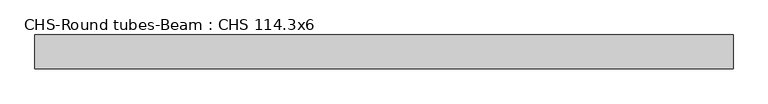
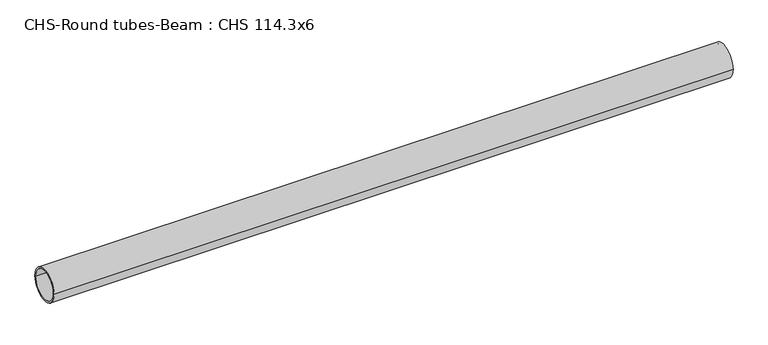
"""IFC4 building model written with IfcOpenShell, lengths in millimetres: beam geometry, CHS-Round tubes-Beam : CHS 114.3x6."""

import ifcopenshell
import ifcopenshell.guid

model = None  # the IFC model being written
_history = None  # IfcOwnerHistory: only IFC2X3 demands one
_inside = {}  # id of a spatial element -> (the spatial element, [elements in it])
_under = {}  # id of a project, library or spatial element -> (it, [spatial elements below it])
_declared = {}  # id of a project -> (the project, [libraries it declares])
_typed = {}  # id of a type object -> (the type object, [elements of that type])
_made_of = {}  # id of a material, layer set ... -> (it, [elements and type objects made of it])


def new_model(schema):
    """Start an empty IFC model of exactly this schema.

    Asked for "IFC4X3", IfcOpenShell would pick the latest addendum, in which some entities
    have other attributes; the version numbers below select the first issue.
    IFC2X3 requires an IfcOwnerHistory on every rooted entity: one is made here for all.
    """
    global model, _history
    if schema == "IFC4X3":
        model = ifcopenshell.file(schema_version=(4, 3, 0, 0))
    else:
        model = ifcopenshell.file(schema=schema)
    _inside.clear()
    _under.clear()
    _declared.clear()
    _typed.clear()
    _made_of.clear()
    _history = None
    if model.schema == "IFC2X3":
        org = make("IfcOrganization", Name="unknown")
        user = make(
            "IfcPersonAndOrganization",
            ThePerson=make("IfcPerson", FamilyName="unknown"),
            TheOrganization=org,
        )
        app = make(
            "IfcApplication",
            ApplicationDeveloper=org,
            Version="unknown",
            ApplicationFullName="unknown",
            ApplicationIdentifier="unknown",
        )
        _history = make(
            "IfcOwnerHistory",
            OwningUser=user,
            OwningApplication=app,
            ChangeAction="ADDED",
            CreationDate=0,
        )
    return model


def make(cls, **values):
    """One entity of the class cls with the attributes given. An attribute that is None is left unset."""
    return model.create_entity(
        cls, **{name: value for name, value in values.items() if value is not None}
    )


def rooted(cls, **values):
    """An entity with a GlobalId (a new one), such as an element, a storey or a relation."""
    return make(cls, GlobalId=ifcopenshell.guid.new(), OwnerHistory=_history, **values)


def si_unit(unit_type, name, prefix=None):
    """IfcSIUnit, for example si_unit("LENGTHUNIT", "METRE", prefix="MILLI")."""
    return make("IfcSIUnit", UnitType=unit_type, Prefix=prefix, Name=name)


def assignment(units):
    """IfcUnitAssignment: the units of a project."""
    return None if units is None else make("IfcUnitAssignment", Units=units)


def point(xyz):
    """IfcCartesianPoint."""
    return None if xyz is None else make("IfcCartesianPoint", Coordinates=xyz)


def direction(xyz):
    """IfcDirection."""
    return None if xyz is None else make("IfcDirection", DirectionRatios=xyz)


def frame(location, z_axis=None, x_axis=None):
    """IfcAxis2Placement3D, a coordinate frame: its origin and axes. An axis left out is left unset."""
    return make(
        "IfcAxis2Placement3D",
        Location=point(location),
        Axis=direction(z_axis),
        RefDirection=direction(x_axis),
    )


def frame_2d(location, x_axis=None):
    """IfcAxis2Placement2D, a coordinate frame in the plane: its origin and x axis."""
    return make(
        "IfcAxis2Placement2D", Location=point(location), RefDirection=direction(x_axis)
    )


def origin():
    """The frame at (0, 0, 0) with its axes left unset."""
    return frame((0.0, 0.0, 0.0))


def origin_2d():
    """The frame at (0, 0) in the plane with its x axis left unset."""
    return frame_2d((0.0, 0.0))


def place(relative_to, where):
    """IfcLocalPlacement: puts the frame where relative to a parent placement (None: the world)."""
    return make(
        "IfcLocalPlacement", PlacementRelTo=relative_to, RelativePlacement=where
    )


def context(
    kind, dimensions, precision=None, world=None, true_north=None, identifier=None
):
    """IfcGeometricRepresentationContext, for example the 3D "Model" context."""
    return make(
        "IfcGeometricRepresentationContext",
        ContextIdentifier=identifier,
        ContextType=kind,
        CoordinateSpaceDimension=dimensions,
        Precision=precision,
        WorldCoordinateSystem=world,
        TrueNorth=true_north,
    )


def project(units=None, contexts=None):
    """IfcProject with its units and contexts."""
    return rooted(
        "IfcProject",
        Name="project",
        RepresentationContexts=contexts,
        UnitsInContext=assignment(units),
    )


def spatial(cls, under=None, at=None, **own):
    """A site, building, storey or space (cls), placed at a placement, below another one or the project."""
    s = rooted(cls, ObjectPlacement=at, **own)
    if under is not None:
        _under.setdefault(under.id(), (under, []))[1].append(s)
    return s


def circle_curve(where, radius):
    """IfcCircle in the frame where."""
    return make("IfcCircle", Position=where, Radius=radius)


def trimmed(basis, trim1, trim2, sense, master):
    """IfcTrimmedCurve: the piece of a basis curve between two trims."""
    return make(
        "IfcTrimmedCurve",
        BasisCurve=basis,
        Trim1=trim1,
        Trim2=trim2,
        SenseAgreement=sense,
        MasterRepresentation=master,
    )


def segment(curve, same_sense, transition):
    """IfcCompositeCurveSegment."""
    return make(
        "IfcCompositeCurveSegment",
        Transition=transition,
        SameSense=same_sense,
        ParentCurve=curve,
    )


def composite_curve(segments, self_intersect=None):
    """IfcCompositeCurve: segments joined end to end."""
    return make("IfcCompositeCurve", Segments=segments, SelfIntersect=self_intersect)


def outline(outer, holes=None, kind="AREA"):
    """IfcArbitraryClosedProfileDef: a profile drawn as a closed curve; with holes, ...WithVoids."""
    if holes is None:
        return make("IfcArbitraryClosedProfileDef", ProfileType=kind, OuterCurve=outer)
    return make(
        "IfcArbitraryProfileDefWithVoids",
        ProfileType=kind,
        OuterCurve=outer,
        InnerCurves=holes,
    )


def extrude(swept, where, along, depth):
    """IfcExtrudedAreaSolid: the profile swept, set in the frame where, extruded along a direction by depth."""
    return make(
        "IfcExtrudedAreaSolid",
        SweptArea=swept,
        Position=where,
        ExtrudedDirection=direction(along),
        Depth=depth,
    )


def shape(context_of_items, identifier, shape_type, items):
    """IfcShapeRepresentation: the items that make up one representation, for example the "Body"."""
    return make(
        "IfcShapeRepresentation",
        ContextOfItems=context_of_items,
        RepresentationIdentifier=identifier,
        RepresentationType=shape_type,
        Items=items,
    )


def source(mapping_origin, context_of_items, identifier, shape_type, items):
    """IfcRepresentationMap: a shape defined once, which mapped items show again and again."""
    return make(
        "IfcRepresentationMap",
        MappingOrigin=mapping_origin,
        MappedRepresentation=shape(context_of_items, identifier, shape_type, items),
    )


def transform(
    local_origin,
    x_axis=None,
    y_axis=None,
    z_axis=None,
    scale=None,
    scale2=None,
    scale3=None,
    uniform=True,
):
    """IfcCartesianTransformationOperator3D, or its non-uniform kind. x_axis, y_axis, z_axis: its Axis1, 2, 3."""
    if uniform:
        return make(
            "IfcCartesianTransformationOperator3D",
            Axis1=direction(x_axis),
            Axis2=direction(y_axis),
            LocalOrigin=point(local_origin),
            Scale=scale,
            Axis3=direction(z_axis),
        )
    return make(
        "IfcCartesianTransformationOperator3DnonUniform",
        Axis1=direction(x_axis),
        Axis2=direction(y_axis),
        LocalOrigin=point(local_origin),
        Scale=scale,
        Axis3=direction(z_axis),
        Scale2=scale2,
        Scale3=scale3,
    )


def mapped(mapping_source, mapping_target):
    """IfcMappedItem: shows the shape of a source again, moved by a transform."""
    return make(
        "IfcMappedItem", MappingSource=mapping_source, MappingTarget=mapping_target
    )


def made_of(thing, what):
    """Note that an element or type object is made of a material, layer set ...; save() writes the relation."""
    if what is not None:
        _made_of.setdefault(what.id(), (what, []))[1].append(thing)
    return thing


def element(
    cls,
    number,
    at=None,
    inside=None,
    cuts=None,
    type_object=None,
    material=None,
    context=None,
    identifier="Body",
    shape_type=None,
    held_by="IfcProductDefinitionShape",
    body=None,
    shapes=None,
    **own,
):
    """One element of the class cls, such as IfcWall. Its Tag is "e" and its number.

    at: its placement. inside: the storey or other place that contains it. cuts: it is an
    opening in that element (IfcRelVoidsElement). A single representation is given by context,
    identifier, shape_type and body (its items); several are given by shapes. held_by: the class
    of the entity that holds the representations. save() writes the other relations.
    """
    e = rooted(cls, Tag="e%d" % number, ObjectPlacement=at, **own)
    if body is not None:
        shapes = [shape(context, identifier, shape_type, body)]
    if shapes is not None:
        e.Representation = make(held_by, Representations=shapes)
    if inside is not None:
        _inside.setdefault(inside.id(), (inside, []))[1].append(e)
    if cuts is not None:
        rooted(
            "IfcRelVoidsElement", RelatingBuildingElement=cuts, RelatedOpeningElement=e
        )
    if type_object is not None:
        _typed.setdefault(type_object.id(), (type_object, []))[1].append(e)
    return made_of(e, material)


def aggregate(whole, parts):
    """IfcRelAggregates: a whole, such as a stair, and the parts it consists of."""
    return rooted("IfcRelAggregates", RelatingObject=whole, RelatedObjects=parts)


def save(model, path):
    """Write the relations noted so far, then the file.

    IfcRelAggregates (storeys below a building ...), IfcRelContainedInSpatialStructure (elements
    in a storey), IfcRelDefinesByType, IfcRelAssociatesMaterial and IfcRelDeclares: one each for
    every whole, place, type object, material and project.
    """
    for whole, parts in _under.values():
        aggregate(whole, parts)
    for where, things in _inside.values():
        rooted(
            "IfcRelContainedInSpatialStructure",
            RelatedElements=things,
            RelatingStructure=where,
        )
    for kind, things in _typed.values():
        rooted("IfcRelDefinesByType", RelatedObjects=things, RelatingType=kind)
    for what, things in _made_of.values():
        rooted("IfcRelAssociatesMaterial", RelatedObjects=things, RelatingMaterial=what)
    for by, libraries in _declared.values():
        rooted("IfcRelDeclares", RelatingContext=by, RelatedDefinitions=libraries)
    model.write(path)


def chs_round_tubes_beam_chs_114_3x6_420007cc(model_context):
    return source(origin(), model_context, "Body", "SweptSolid", [
        extrude(outline(composite_curve([segment(trimmed(circle_curve(origin_2d(), 57.15), [point((57.15, 0.0))], [point((-57.15, 0.0))], False, "CARTESIAN"), True, "CONTINUOUS"), segment(trimmed(circle_curve(origin_2d(), 57.15), [point((-57.15, 0.0))], [point((57.15, 0.0))], False, "CARTESIAN"), True, "CONTINUOUS")], self_intersect=False), holes=[composite_curve([segment(trimmed(circle_curve(origin_2d(), 51.15), [point((51.15, 0.0))], [point((-51.15, 0.0))], True, "CARTESIAN"), True, "CONTINUOUS"), segment(trimmed(circle_curve(origin_2d(), 51.15), [point((-51.15, 0.0))], [point((51.15, 0.0))], True, "CARTESIAN"), True, "CONTINUOUS")], self_intersect=False)]), frame((-1148.2532796, 0.0, 0.0), z_axis=(1.0, 0.0, 0.0), x_axis=(0.0, 1.0, 0.0)), (0.0, 0.0, 1.0), 2354.8549498),
    ])


if __name__ == "__main__":
    model = new_model("IFC4")
    model_context = context("Model", 3, world=origin())
    ifc_project = project(units=[si_unit("LENGTHUNIT", "METRE", prefix="MILLI")], contexts=[model_context])
    site = spatial("IfcSite", under=ifc_project)
    building = spatial("IfcBuilding", under=site)
    placement = place(None, origin())
    chs_round_tubes_beam_chs_114_3x6_shape = chs_round_tubes_beam_chs_114_3x6_420007cc(model_context)
    element("IfcBeam", 1, ObjectType="CHS-Round tubes-Beam : CHS 114.3x6", at=placement, inside=building, context=model_context, shape_type="MappedRepresentation", body=[
        mapped(chs_round_tubes_beam_chs_114_3x6_shape, transform((0.0, 0.0, 0.0), x_axis=(1.0, 0.0, 0.0), y_axis=(0.0, 1.0, 0.0), z_axis=(0.0, 0.0, 1.0))),
    ])
    save(model, "model.ifc")
